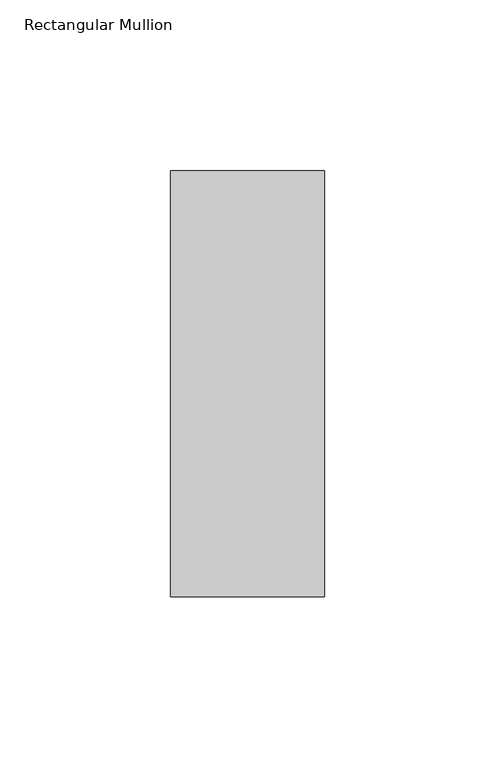
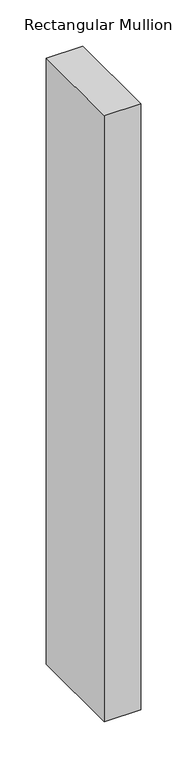
"""IFC4 building model written with IfcOpenShell, lengths in millimetres: member geometry, Rectangular Mullion."""

import ifcopenshell
import ifcopenshell.guid

model = None  # the IFC model being written
_history = None  # IfcOwnerHistory: only IFC2X3 demands one
_inside = {}  # id of a spatial element -> (the spatial element, [elements in it])
_under = {}  # id of a project, library or spatial element -> (it, [spatial elements below it])
_declared = {}  # id of a project -> (the project, [libraries it declares])
_typed = {}  # id of a type object -> (the type object, [elements of that type])
_made_of = {}  # id of a material, layer set ... -> (it, [elements and type objects made of it])


def new_model(schema):
    """Start an empty IFC model of exactly this schema.

    Asked for "IFC4X3", IfcOpenShell would pick the latest addendum, in which some entities
    have other attributes; the version numbers below select the first issue.
    IFC2X3 requires an IfcOwnerHistory on every rooted entity: one is made here for all.
    """
    global model, _history
    if schema == "IFC4X3":
        model = ifcopenshell.file(schema_version=(4, 3, 0, 0))
    else:
        model = ifcopenshell.file(schema=schema)
    _inside.clear()
    _under.clear()
    _declared.clear()
    _typed.clear()
    _made_of.clear()
    _history = None
    if model.schema == "IFC2X3":
        org = make("IfcOrganization", Name="unknown")
        user = make(
            "IfcPersonAndOrganization",
            ThePerson=make("IfcPerson", FamilyName="unknown"),
            TheOrganization=org,
        )
        app = make(
            "IfcApplication",
            ApplicationDeveloper=org,
            Version="unknown",
            ApplicationFullName="unknown",
            ApplicationIdentifier="unknown",
        )
        _history = make(
            "IfcOwnerHistory",
            OwningUser=user,
            OwningApplication=app,
            ChangeAction="ADDED",
            CreationDate=0,
        )
    return model


def make(cls, **values):
    """One entity of the class cls with the attributes given. An attribute that is None is left unset."""
    return model.create_entity(
        cls, **{name: value for name, value in values.items() if value is not None}
    )


def rooted(cls, **values):
    """An entity with a GlobalId (a new one), such as an element, a storey or a relation."""
    return make(cls, GlobalId=ifcopenshell.guid.new(), OwnerHistory=_history, **values)


def si_unit(unit_type, name, prefix=None):
    """IfcSIUnit, for example si_unit("LENGTHUNIT", "METRE", prefix="MILLI")."""
    return make("IfcSIUnit", UnitType=unit_type, Prefix=prefix, Name=name)


def assignment(units):
    """IfcUnitAssignment: the units of a project."""
    return None if units is None else make("IfcUnitAssignment", Units=units)


def point(xyz):
    """IfcCartesianPoint."""
    return None if xyz is None else make("IfcCartesianPoint", Coordinates=xyz)


def direction(xyz):
    """IfcDirection."""
    return None if xyz is None else make("IfcDirection", DirectionRatios=xyz)


def frame(location, z_axis=None, x_axis=None):
    """IfcAxis2Placement3D, a coordinate frame: its origin and axes. An axis left out is left unset."""
    return make(
        "IfcAxis2Placement3D",
        Location=point(location),
        Axis=direction(z_axis),
        RefDirection=direction(x_axis),
    )


def origin():
    """The frame at (0, 0, 0) with its axes left unset."""
    return frame((0.0, 0.0, 0.0))


def place(relative_to, where):
    """IfcLocalPlacement: puts the frame where relative to a parent placement (None: the world)."""
    return make(
        "IfcLocalPlacement", PlacementRelTo=relative_to, RelativePlacement=where
    )


def context(
    kind, dimensions, precision=None, world=None, true_north=None, identifier=None
):
    """IfcGeometricRepresentationContext, for example the 3D "Model" context."""
    return make(
        "IfcGeometricRepresentationContext",
        ContextIdentifier=identifier,
        ContextType=kind,
        CoordinateSpaceDimension=dimensions,
        Precision=precision,
        WorldCoordinateSystem=world,
        TrueNorth=true_north,
    )


def project(units=None, contexts=None):
    """IfcProject with its units and contexts."""
    return rooted(
        "IfcProject",
        Name="project",
        RepresentationContexts=contexts,
        UnitsInContext=assignment(units),
    )


def spatial(cls, under=None, at=None, **own):
    """A site, building, storey or space (cls), placed at a placement, below another one or the project."""
    s = rooted(cls, ObjectPlacement=at, **own)
    if under is not None:
        _under.setdefault(under.id(), (under, []))[1].append(s)
    return s


def polyline(points):
    """IfcPolyline through the points."""
    return make("IfcPolyline", Points=[point(p) for p in points])


def outline(outer, holes=None, kind="AREA"):
    """IfcArbitraryClosedProfileDef: a profile drawn as a closed curve; with holes, ...WithVoids."""
    if holes is None:
        return make("IfcArbitraryClosedProfileDef", ProfileType=kind, OuterCurve=outer)
    return make(
        "IfcArbitraryProfileDefWithVoids",
        ProfileType=kind,
        OuterCurve=outer,
        InnerCurves=holes,
    )


def extrude(swept, where, along, depth):
    """IfcExtrudedAreaSolid: the profile swept, set in the frame where, extruded along a direction by depth."""
    return make(
        "IfcExtrudedAreaSolid",
        SweptArea=swept,
        Position=where,
        ExtrudedDirection=direction(along),
        Depth=depth,
    )


def shape(context_of_items, identifier, shape_type, items):
    """IfcShapeRepresentation: the items that make up one representation, for example the "Body"."""
    return make(
        "IfcShapeRepresentation",
        ContextOfItems=context_of_items,
        RepresentationIdentifier=identifier,
        RepresentationType=shape_type,
        Items=items,
    )


def source(mapping_origin, context_of_items, identifier, shape_type, items):
    """IfcRepresentationMap: a shape defined once, which mapped items show again and again."""
    return make(
        "IfcRepresentationMap",
        MappingOrigin=mapping_origin,
        MappedRepresentation=shape(context_of_items, identifier, shape_type, items),
    )


def transform(
    local_origin,
    x_axis=None,
    y_axis=None,
    z_axis=None,
    scale=None,
    scale2=None,
    scale3=None,
    uniform=True,
):
    """IfcCartesianTransformationOperator3D, or its non-uniform kind. x_axis, y_axis, z_axis: its Axis1, 2, 3."""
    if uniform:
        return make(
            "IfcCartesianTransformationOperator3D",
            Axis1=direction(x_axis),
            Axis2=direction(y_axis),
            LocalOrigin=point(local_origin),
            Scale=scale,
            Axis3=direction(z_axis),
        )
    return make(
        "IfcCartesianTransformationOperator3DnonUniform",
        Axis1=direction(x_axis),
        Axis2=direction(y_axis),
        LocalOrigin=point(local_origin),
        Scale=scale,
        Axis3=direction(z_axis),
        Scale2=scale2,
        Scale3=scale3,
    )


def mapped(mapping_source, mapping_target):
    """IfcMappedItem: shows the shape of a source again, moved by a transform."""
    return make(
        "IfcMappedItem", MappingSource=mapping_source, MappingTarget=mapping_target
    )


def made_of(thing, what):
    """Note that an element or type object is made of a material, layer set ...; save() writes the relation."""
    if what is not None:
        _made_of.setdefault(what.id(), (what, []))[1].append(thing)
    return thing


def element(
    cls,
    number,
    at=None,
    inside=None,
    cuts=None,
    type_object=None,
    material=None,
    context=None,
    identifier="Body",
    shape_type=None,
    held_by="IfcProductDefinitionShape",
    body=None,
    shapes=None,
    **own,
):
    """One element of the class cls, such as IfcWall. Its Tag is "e" and its number.

    at: its placement. inside: the storey or other place that contains it. cuts: it is an
    opening in that element (IfcRelVoidsElement). A single representation is given by context,
    identifier, shape_type and body (its items); several are given by shapes. held_by: the class
    of the entity that holds the representations. save() writes the other relations.
    """
    e = rooted(cls, Tag="e%d" % number, ObjectPlacement=at, **own)
    if body is not None:
        shapes = [shape(context, identifier, shape_type, body)]
    if shapes is not None:
        e.Representation = make(held_by, Representations=shapes)
    if inside is not None:
        _inside.setdefault(inside.id(), (inside, []))[1].append(e)
    if cuts is not None:
        rooted(
            "IfcRelVoidsElement", RelatingBuildingElement=cuts, RelatedOpeningElement=e
        )
    if type_object is not None:
        _typed.setdefault(type_object.id(), (type_object, []))[1].append(e)
    return made_of(e, material)


def aggregate(whole, parts):
    """IfcRelAggregates: a whole, such as a stair, and the parts it consists of."""
    return rooted("IfcRelAggregates", RelatingObject=whole, RelatedObjects=parts)


def save(model, path):
    """Write the relations noted so far, then the file.

    IfcRelAggregates (storeys below a building ...), IfcRelContainedInSpatialStructure (elements
    in a storey), IfcRelDefinesByType, IfcRelAssociatesMaterial and IfcRelDeclares: one each for
    every whole, place, type object, material and project.
    """
    for whole, parts in _under.values():
        aggregate(whole, parts)
    for where, things in _inside.values():
        rooted(
            "IfcRelContainedInSpatialStructure",
            RelatedElements=things,
            RelatingStructure=where,
        )
    for kind, things in _typed.values():
        rooted("IfcRelDefinesByType", RelatedObjects=things, RelatingType=kind)
    for what, things in _made_of.values():
        rooted("IfcRelAssociatesMaterial", RelatedObjects=things, RelatingMaterial=what)
    for by, libraries in _declared.values():
        rooted("IfcRelDeclares", RelatingContext=by, RelatedDefinitions=libraries)
    model.write(path)


def rectangular_mullion_6e46670a(model_context):
    return source(origin(), model_context, "Body", "SweptSolid", [
        extrude(outline(polyline([(0.0, -77.84375), (-45.0, -77.84375), (-45.0, 46.84375), (0.0, 46.84375), (0.0, -77.84375)])), frame((0.0, 0.0, -796.1), z_axis=(0.0, 0.0, 1.0), x_axis=(1.0, 0.0, 0.0)), (0.0, 0.0, 1.0), 796.1),
    ])


if __name__ == "__main__":
    model = new_model("IFC4")
    model_context = context("Model", 3, world=origin())
    ifc_project = project(units=[si_unit("LENGTHUNIT", "METRE", prefix="MILLI")], contexts=[model_context])
    site = spatial("IfcSite", under=ifc_project)
    building = spatial("IfcBuilding", under=site)
    placement = place(None, origin())
    rectangular_mullion_shape = rectangular_mullion_6e46670a(model_context)
    element("IfcMember", 1, ObjectType="Rectangular Mullion", at=placement, inside=building, context=model_context, shape_type="MappedRepresentation", body=[
        mapped(rectangular_mullion_shape, transform((0.0, 0.0, 0.0), x_axis=(1.0, 0.0, 0.0), y_axis=(0.0, 1.0, 0.0), z_axis=(0.0, 0.0, 1.0))),
    ])
    save(model, "model.ifc")
